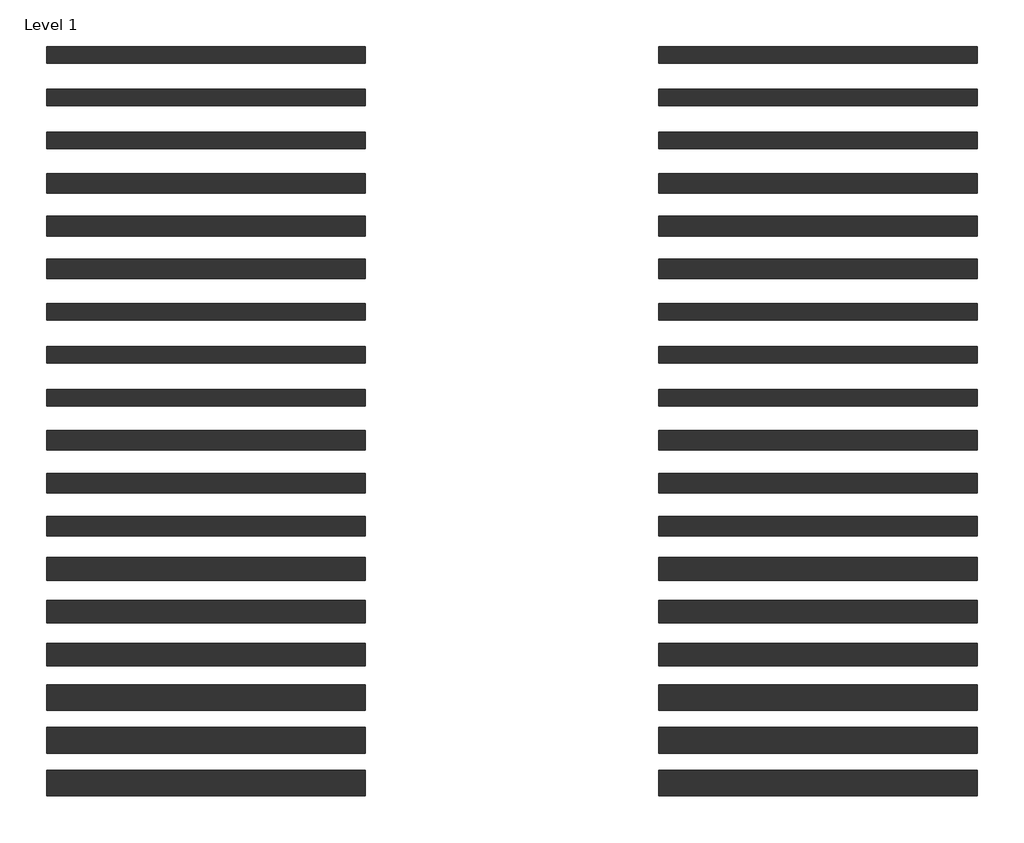
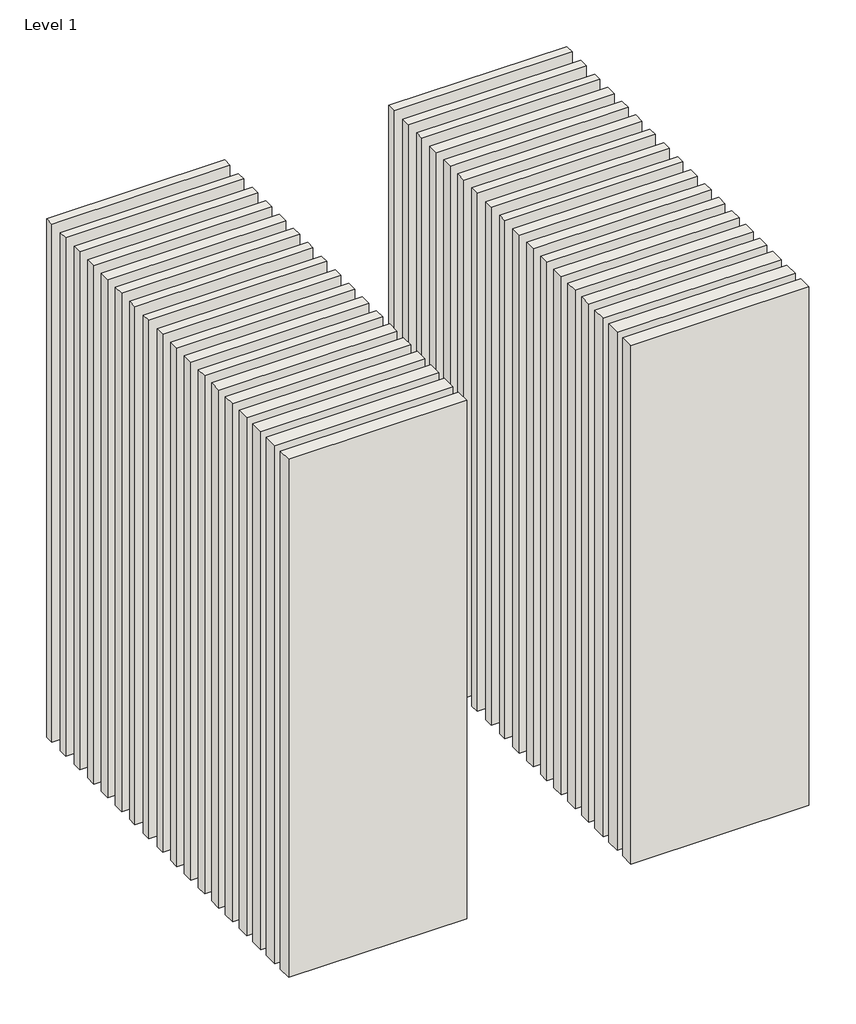
# One storey: 36 walls.
"""IFC4 building model written with IfcOpenShell, lengths in millimetres."""

import ifcopenshell
import ifcopenshell.guid

model = None  # the IFC model being written
_history = None  # IfcOwnerHistory: only IFC2X3 demands one
_inside = {}  # id of a spatial element -> (the spatial element, [elements in it])
_under = {}  # id of a project, library or spatial element -> (it, [spatial elements below it])
_declared = {}  # id of a project -> (the project, [libraries it declares])
_typed = {}  # id of a type object -> (the type object, [elements of that type])
_made_of = {}  # id of a material, layer set ... -> (it, [elements and type objects made of it])


def new_model(schema):
    """Start an empty IFC model of exactly this schema.

    Asked for "IFC4X3", IfcOpenShell would pick the latest addendum, in which some entities
    have other attributes; the version numbers below select the first issue.
    IFC2X3 requires an IfcOwnerHistory on every rooted entity: one is made here for all.
    """
    global model, _history
    if schema == "IFC4X3":
        model = ifcopenshell.file(schema_version=(4, 3, 0, 0))
    else:
        model = ifcopenshell.file(schema=schema)
    _inside.clear()
    _under.clear()
    _declared.clear()
    _typed.clear()
    _made_of.clear()
    _history = None
    if model.schema == "IFC2X3":
        org = make("IfcOrganization", Name="unknown")
        user = make(
            "IfcPersonAndOrganization",
            ThePerson=make("IfcPerson", FamilyName="unknown"),
            TheOrganization=org,
        )
        app = make(
            "IfcApplication",
            ApplicationDeveloper=org,
            Version="unknown",
            ApplicationFullName="unknown",
            ApplicationIdentifier="unknown",
        )
        _history = make(
            "IfcOwnerHistory",
            OwningUser=user,
            OwningApplication=app,
            ChangeAction="ADDED",
            CreationDate=0,
        )
    return model


def make(cls, **values):
    """One entity of the class cls with the attributes given. An attribute that is None is left unset."""
    return model.create_entity(
        cls, **{name: value for name, value in values.items() if value is not None}
    )


def rooted(cls, **values):
    """An entity with a GlobalId (a new one), such as an element, a storey or a relation."""
    return make(cls, GlobalId=ifcopenshell.guid.new(), OwnerHistory=_history, **values)


def si_unit(unit_type, name, prefix=None):
    """IfcSIUnit, for example si_unit("LENGTHUNIT", "METRE", prefix="MILLI")."""
    return make("IfcSIUnit", UnitType=unit_type, Prefix=prefix, Name=name)


def assignment(units):
    """IfcUnitAssignment: the units of a project."""
    return None if units is None else make("IfcUnitAssignment", Units=units)


def point(xyz):
    """IfcCartesianPoint."""
    return None if xyz is None else make("IfcCartesianPoint", Coordinates=xyz)


def direction(xyz):
    """IfcDirection."""
    return None if xyz is None else make("IfcDirection", DirectionRatios=xyz)


def frame(location, z_axis=None, x_axis=None):
    """IfcAxis2Placement3D, a coordinate frame: its origin and axes. An axis left out is left unset."""
    return make(
        "IfcAxis2Placement3D",
        Location=point(location),
        Axis=direction(z_axis),
        RefDirection=direction(x_axis),
    )


def origin():
    """The frame at (0, 0, 0) with its axes left unset."""
    return frame((0.0, 0.0, 0.0))


def origin_with_axes():
    """The frame at (0, 0, 0) with the z axis (0, 0, 1) and the x axis (1, 0, 0) written out."""
    return frame((0.0, 0.0, 0.0), z_axis=(0.0, 0.0, 1.0), x_axis=(1.0, 0.0, 0.0))


def place(relative_to, where):
    """IfcLocalPlacement: puts the frame where relative to a parent placement (None: the world)."""
    return make(
        "IfcLocalPlacement", PlacementRelTo=relative_to, RelativePlacement=where
    )


def context(
    kind, dimensions, precision=None, world=None, true_north=None, identifier=None
):
    """IfcGeometricRepresentationContext, for example the 3D "Model" context."""
    return make(
        "IfcGeometricRepresentationContext",
        ContextIdentifier=identifier,
        ContextType=kind,
        CoordinateSpaceDimension=dimensions,
        Precision=precision,
        WorldCoordinateSystem=world,
        TrueNorth=true_north,
    )


def project(units=None, contexts=None):
    """IfcProject with its units and contexts."""
    return rooted(
        "IfcProject",
        Name="project",
        RepresentationContexts=contexts,
        UnitsInContext=assignment(units),
    )


def spatial(cls, under=None, at=None, **own):
    """A site, building, storey or space (cls), placed at a placement, below another one or the project."""
    s = rooted(cls, ObjectPlacement=at, **own)
    if under is not None:
        _under.setdefault(under.id(), (under, []))[1].append(s)
    return s


def polyline(points):
    """IfcPolyline through the points."""
    return make("IfcPolyline", Points=[point(p) for p in points])


def outline(outer, holes=None, kind="AREA"):
    """IfcArbitraryClosedProfileDef: a profile drawn as a closed curve; with holes, ...WithVoids."""
    if holes is None:
        return make("IfcArbitraryClosedProfileDef", ProfileType=kind, OuterCurve=outer)
    return make(
        "IfcArbitraryProfileDefWithVoids",
        ProfileType=kind,
        OuterCurve=outer,
        InnerCurves=holes,
    )


def extrude(swept, where, along, depth):
    """IfcExtrudedAreaSolid: the profile swept, set in the frame where, extruded along a direction by depth."""
    return make(
        "IfcExtrudedAreaSolid",
        SweptArea=swept,
        Position=where,
        ExtrudedDirection=direction(along),
        Depth=depth,
    )


def shape(context_of_items, identifier, shape_type, items):
    """IfcShapeRepresentation: the items that make up one representation, for example the "Body"."""
    return make(
        "IfcShapeRepresentation",
        ContextOfItems=context_of_items,
        RepresentationIdentifier=identifier,
        RepresentationType=shape_type,
        Items=items,
    )


def made_of(thing, what):
    """Note that an element or type object is made of a material, layer set ...; save() writes the relation."""
    if what is not None:
        _made_of.setdefault(what.id(), (what, []))[1].append(thing)
    return thing


def element(
    cls,
    number,
    at=None,
    inside=None,
    cuts=None,
    type_object=None,
    material=None,
    context=None,
    identifier="Body",
    shape_type=None,
    held_by="IfcProductDefinitionShape",
    body=None,
    shapes=None,
    **own,
):
    """One element of the class cls, such as IfcWall. Its Tag is "e" and its number.

    at: its placement. inside: the storey or other place that contains it. cuts: it is an
    opening in that element (IfcRelVoidsElement). A single representation is given by context,
    identifier, shape_type and body (its items); several are given by shapes. held_by: the class
    of the entity that holds the representations. save() writes the other relations.
    """
    e = rooted(cls, Tag="e%d" % number, ObjectPlacement=at, **own)
    if body is not None:
        shapes = [shape(context, identifier, shape_type, body)]
    if shapes is not None:
        e.Representation = make(held_by, Representations=shapes)
    if inside is not None:
        _inside.setdefault(inside.id(), (inside, []))[1].append(e)
    if cuts is not None:
        rooted(
            "IfcRelVoidsElement", RelatingBuildingElement=cuts, RelatedOpeningElement=e
        )
    if type_object is not None:
        _typed.setdefault(type_object.id(), (type_object, []))[1].append(e)
    return made_of(e, material)


def aggregate(whole, parts):
    """IfcRelAggregates: a whole, such as a stair, and the parts it consists of."""
    return rooted("IfcRelAggregates", RelatingObject=whole, RelatedObjects=parts)


def save(model, path):
    """Write the relations noted so far, then the file.

    IfcRelAggregates (storeys below a building ...), IfcRelContainedInSpatialStructure (elements
    in a storey), IfcRelDefinesByType, IfcRelAssociatesMaterial and IfcRelDeclares: one each for
    every whole, place, type object, material and project.
    """
    for whole, parts in _under.values():
        aggregate(whole, parts)
    for where, things in _inside.values():
        rooted(
            "IfcRelContainedInSpatialStructure",
            RelatedElements=things,
            RelatingStructure=where,
        )
    for kind, things in _typed.values():
        rooted("IfcRelDefinesByType", RelatedObjects=things, RelatingType=kind)
    for what, things in _made_of.values():
        rooted("IfcRelAssociatesMaterial", RelatedObjects=things, RelatingMaterial=what)
    for by, libraries in _declared.values():
        rooted("IfcRelDeclares", RelatingContext=by, RelatedDefinitions=libraries)
    model.write(path)


model = new_model("IFC4")

# Units and contexts
model_context = context("Model", 3, world=origin())
ifc_project = project(units=[si_unit("LENGTHUNIT", "METRE", prefix="MILLI")], contexts=[model_context])

# Site, building, storey
site = spatial("IfcSite", under=ifc_project)
building = spatial("IfcBuilding", under=site)
storey = spatial("IfcBuildingStorey", under=building, Name="Level 1", Elevation=0.0)

# Walls
placement = place(None, origin())
element("IfcWall", 1, at=placement, inside=storey, context=model_context, shape_type="SweptSolid", body=[
    extrude(outline(polyline([(-16904.1464237, 3668.9042935), (-19504.1464237, 3668.9042935), (-19504.1464237, 3803.9042935), (-16904.1464237, 3803.9042935), (-16904.1464237, 3668.9042935)])), origin_with_axes(), (0.0, 0.0, 1.0), 8000.0),
])
element("IfcWall", 2, at=placement, inside=storey, context=model_context, shape_type="SweptSolid", body=[
    extrude(outline(polyline([(-16904.1464237, 3318.9042935), (-19504.1464237, 3318.9042935), (-19504.1464237, 3453.9042935), (-16904.1464237, 3453.9042935), (-16904.1464237, 3318.9042935)])), origin_with_axes(), (0.0, 0.0, 1.0), 8000.0),
])
element("IfcWall", 3, at=placement, inside=storey, context=model_context, shape_type="SweptSolid", body=[
    extrude(outline(polyline([(-16904.1464237, 2968.9042935), (-19504.1464237, 2968.9042935), (-19504.1464237, 3103.9042935), (-16904.1464237, 3103.9042935), (-16904.1464237, 2968.9042935)])), origin_with_axes(), (0.0, 0.0, 1.0), 8000.0),
])
element("IfcWall", 4, at=placement, inside=storey, context=model_context, shape_type="SweptSolid", body=[
    extrude(outline(polyline([(-16904.1464237, 2606.4042935), (-19504.1464237, 2606.4042935), (-19504.1464237, 2766.4042935), (-16904.1464237, 2766.4042935), (-16904.1464237, 2606.4042935)])), origin_with_axes(), (0.0, 0.0, 1.0), 8000.0),
])
element("IfcWall", 5, at=placement, inside=storey, context=model_context, shape_type="SweptSolid", body=[
    extrude(outline(polyline([(-16904.1464237, 2256.4042935), (-19504.1464237, 2256.4042935), (-19504.1464237, 2416.4042935), (-16904.1464237, 2416.4042935), (-16904.1464237, 2256.4042935)])), origin_with_axes(), (0.0, 0.0, 1.0), 8000.0),
])
element("IfcWall", 6, at=placement, inside=storey, context=model_context, shape_type="SweptSolid", body=[
    extrude(outline(polyline([(-16904.1464237, 1906.4042935), (-19504.1464237, 1906.4042935), (-19504.1464237, 2066.4042935), (-16904.1464237, 2066.4042935), (-16904.1464237, 1906.4042935)])), origin_with_axes(), (0.0, 0.0, 1.0), 8000.0),
])
element("IfcWall", 7, at=placement, inside=storey, context=model_context, shape_type="SweptSolid", body=[
    extrude(outline(polyline([(-16904.1464237, 1568.9042935), (-19504.1464237, 1568.9042935), (-19504.1464237, 1703.9042935), (-16904.1464237, 1703.9042935), (-16904.1464237, 1568.9042935)])), origin_with_axes(), (0.0, 0.0, 1.0), 8000.0),
])
element("IfcWall", 8, at=placement, inside=storey, context=model_context, shape_type="SweptSolid", body=[
    extrude(outline(polyline([(-16904.1464237, 1218.9042935), (-19504.1464237, 1218.9042935), (-19504.1464237, 1353.9042935), (-16904.1464237, 1353.9042935), (-16904.1464237, 1218.9042935)])), origin_with_axes(), (0.0, 0.0, 1.0), 8000.0),
])
element("IfcWall", 9, at=placement, inside=storey, context=model_context, shape_type="SweptSolid", body=[
    extrude(outline(polyline([(-16904.1464237, 868.9042935), (-19504.1464237, 868.9042935), (-19504.1464237, 1003.9042935), (-16904.1464237, 1003.9042935), (-16904.1464237, 868.9042935)])), origin_with_axes(), (0.0, 0.0, 1.0), 8000.0),
])
element("IfcWall", 10, at=placement, inside=storey, context=model_context, shape_type="SweptSolid", body=[
    extrude(outline(polyline([(-16904.1464237, 506.4042935), (-19504.1464237, 506.4042935), (-19504.1464237, 666.4042935), (-16904.1464237, 666.4042935), (-16904.1464237, 506.4042935)])), origin_with_axes(), (0.0, 0.0, 1.0), 8000.0),
])
element("IfcWall", 11, at=placement, inside=storey, context=model_context, shape_type="SweptSolid", body=[
    extrude(outline(polyline([(-16904.1464237, 156.4042935), (-19504.1464237, 156.4042935), (-19504.1464237, 316.4042935), (-16904.1464237, 316.4042935), (-16904.1464237, 156.4042935)])), origin_with_axes(), (0.0, 0.0, 1.0), 8000.0),
])
element("IfcWall", 12, at=placement, inside=storey, context=model_context, shape_type="SweptSolid", body=[
    extrude(outline(polyline([(-16904.1464237, -193.5957065), (-19504.1464237, -193.5957065), (-19504.1464237, -33.5957065), (-16904.1464237, -33.5957065), (-16904.1464237, -193.5957065)])), origin_with_axes(), (0.0, 0.0, 1.0), 8000.0),
])
element("IfcWall", 13, at=placement, inside=storey, context=model_context, shape_type="SweptSolid", body=[
    extrude(outline(polyline([(-16904.1464237, -556.0957065), (-19504.1464237, -556.0957065), (-19504.1464237, -371.0957065), (-16904.1464237, -371.0957065), (-16904.1464237, -556.0957065)])), origin_with_axes(), (0.0, 0.0, 1.0), 8000.0),
])
element("IfcWall", 14, at=placement, inside=storey, context=model_context, shape_type="SweptSolid", body=[
    extrude(outline(polyline([(-16904.1464237, -906.0957065), (-19504.1464237, -906.0957065), (-19504.1464237, -721.0957065), (-16904.1464237, -721.0957065), (-16904.1464237, -906.0957065)])), origin_with_axes(), (0.0, 0.0, 1.0), 8000.0),
])
element("IfcWall", 15, at=placement, inside=storey, context=model_context, shape_type="SweptSolid", body=[
    extrude(outline(polyline([(-16904.1464237, -1256.0957065), (-19504.1464237, -1256.0957065), (-19504.1464237, -1071.0957065), (-16904.1464237, -1071.0957065), (-16904.1464237, -1256.0957065)])), origin_with_axes(), (0.0, 0.0, 1.0), 8000.0),
])
element("IfcWall", 16, at=placement, inside=storey, context=model_context, shape_type="SweptSolid", body=[
    extrude(outline(polyline([(-16904.1464237, -1618.5957065), (-19504.1464237, -1618.5957065), (-19504.1464237, -1408.5957065), (-16904.1464237, -1408.5957065), (-16904.1464237, -1618.5957065)])), origin_with_axes(), (0.0, 0.0, 1.0), 8000.0),
])
element("IfcWall", 17, at=placement, inside=storey, context=model_context, shape_type="SweptSolid", body=[
    extrude(outline(polyline([(-16904.1464237, -1968.5957065), (-19504.1464237, -1968.5957065), (-19504.1464237, -1758.5957065), (-16904.1464237, -1758.5957065), (-16904.1464237, -1968.5957065)])), origin_with_axes(), (0.0, 0.0, 1.0), 8000.0),
])
element("IfcWall", 18, at=placement, inside=storey, context=model_context, shape_type="SweptSolid", body=[
    extrude(outline(polyline([(-16904.1464237, -2318.5957065), (-19504.1464237, -2318.5957065), (-19504.1464237, -2108.5957065), (-16904.1464237, -2108.5957065), (-16904.1464237, -2318.5957065)])), origin_with_axes(), (0.0, 0.0, 1.0), 8000.0),
])
element("IfcWall", 19, at=placement, inside=storey, context=model_context, shape_type="SweptSolid", body=[
    extrude(outline(polyline([(-11904.1464237, 3668.9042935), (-14504.1464237, 3668.9042935), (-14504.1464237, 3803.9042935), (-11904.1464237, 3803.9042935), (-11904.1464237, 3668.9042935)])), origin_with_axes(), (0.0, 0.0, 1.0), 8000.0),
])
element("IfcWall", 20, at=placement, inside=storey, context=model_context, shape_type="SweptSolid", body=[
    extrude(outline(polyline([(-11904.1464237, 3318.9042935), (-14504.1464237, 3318.9042935), (-14504.1464237, 3453.9042935), (-11904.1464237, 3453.9042935), (-11904.1464237, 3318.9042935)])), origin_with_axes(), (0.0, 0.0, 1.0), 8000.0),
])
element("IfcWall", 21, at=placement, inside=storey, context=model_context, shape_type="SweptSolid", body=[
    extrude(outline(polyline([(-11904.1464237, 2968.9042935), (-14504.1464237, 2968.9042935), (-14504.1464237, 3103.9042935), (-11904.1464237, 3103.9042935), (-11904.1464237, 2968.9042935)])), origin_with_axes(), (0.0, 0.0, 1.0), 8000.0),
])
element("IfcWall", 22, at=placement, inside=storey, context=model_context, shape_type="SweptSolid", body=[
    extrude(outline(polyline([(-11904.1464237, 2606.4042935), (-14504.1464237, 2606.4042935), (-14504.1464237, 2766.4042935), (-11904.1464237, 2766.4042935), (-11904.1464237, 2606.4042935)])), origin_with_axes(), (0.0, 0.0, 1.0), 8000.0),
])
element("IfcWall", 23, at=placement, inside=storey, context=model_context, shape_type="SweptSolid", body=[
    extrude(outline(polyline([(-11904.1464237, 2256.4042935), (-14504.1464237, 2256.4042935), (-14504.1464237, 2416.4042935), (-11904.1464237, 2416.4042935), (-11904.1464237, 2256.4042935)])), origin_with_axes(), (0.0, 0.0, 1.0), 8000.0),
])
element("IfcWall", 24, at=placement, inside=storey, context=model_context, shape_type="SweptSolid", body=[
    extrude(outline(polyline([(-11904.1464237, 1906.4042935), (-14504.1464237, 1906.4042935), (-14504.1464237, 2066.4042935), (-11904.1464237, 2066.4042935), (-11904.1464237, 1906.4042935)])), origin_with_axes(), (0.0, 0.0, 1.0), 8000.0),
])
element("IfcWall", 25, at=placement, inside=storey, context=model_context, shape_type="SweptSolid", body=[
    extrude(outline(polyline([(-11904.1464237, 1568.9042935), (-14504.1464237, 1568.9042935), (-14504.1464237, 1703.9042935), (-11904.1464237, 1703.9042935), (-11904.1464237, 1568.9042935)])), origin_with_axes(), (0.0, 0.0, 1.0), 8000.0),
])
element("IfcWall", 26, at=placement, inside=storey, context=model_context, shape_type="SweptSolid", body=[
    extrude(outline(polyline([(-11904.1464237, 1218.9042935), (-14504.1464237, 1218.9042935), (-14504.1464237, 1353.9042935), (-11904.1464237, 1353.9042935), (-11904.1464237, 1218.9042935)])), origin_with_axes(), (0.0, 0.0, 1.0), 8000.0),
])
element("IfcWall", 27, at=placement, inside=storey, context=model_context, shape_type="SweptSolid", body=[
    extrude(outline(polyline([(-11904.1464237, 868.9042935), (-14504.1464237, 868.9042935), (-14504.1464237, 1003.9042935), (-11904.1464237, 1003.9042935), (-11904.1464237, 868.9042935)])), origin_with_axes(), (0.0, 0.0, 1.0), 8000.0),
])
element("IfcWall", 28, at=placement, inside=storey, context=model_context, shape_type="SweptSolid", body=[
    extrude(outline(polyline([(-11904.1464237, 506.4042935), (-14504.1464237, 506.4042935), (-14504.1464237, 666.4042935), (-11904.1464237, 666.4042935), (-11904.1464237, 506.4042935)])), origin_with_axes(), (0.0, 0.0, 1.0), 8000.0),
])
element("IfcWall", 29, at=placement, inside=storey, context=model_context, shape_type="SweptSolid", body=[
    extrude(outline(polyline([(-11904.1464237, 156.4042935), (-14504.1464237, 156.4042935), (-14504.1464237, 316.4042935), (-11904.1464237, 316.4042935), (-11904.1464237, 156.4042935)])), origin_with_axes(), (0.0, 0.0, 1.0), 8000.0),
])
element("IfcWall", 30, at=placement, inside=storey, context=model_context, shape_type="SweptSolid", body=[
    extrude(outline(polyline([(-11904.1464237, -193.5957065), (-14504.1464237, -193.5957065), (-14504.1464237, -33.5957065), (-11904.1464237, -33.5957065), (-11904.1464237, -193.5957065)])), origin_with_axes(), (0.0, 0.0, 1.0), 8000.0),
])
element("IfcWall", 31, at=placement, inside=storey, context=model_context, shape_type="SweptSolid", body=[
    extrude(outline(polyline([(-11904.1464237, -556.0957065), (-14504.1464237, -556.0957065), (-14504.1464237, -371.0957065), (-11904.1464237, -371.0957065), (-11904.1464237, -556.0957065)])), origin_with_axes(), (0.0, 0.0, 1.0), 8000.0),
])
element("IfcWall", 32, at=placement, inside=storey, context=model_context, shape_type="SweptSolid", body=[
    extrude(outline(polyline([(-11904.1464237, -906.0957065), (-14504.1464237, -906.0957065), (-14504.1464237, -721.0957065), (-11904.1464237, -721.0957065), (-11904.1464237, -906.0957065)])), origin_with_axes(), (0.0, 0.0, 1.0), 8000.0),
])
element("IfcWall", 33, at=placement, inside=storey, context=model_context, shape_type="SweptSolid", body=[
    extrude(outline(polyline([(-11904.1464237, -1256.0957065), (-14504.1464237, -1256.0957065), (-14504.1464237, -1071.0957065), (-11904.1464237, -1071.0957065), (-11904.1464237, -1256.0957065)])), origin_with_axes(), (0.0, 0.0, 1.0), 8000.0),
])
element("IfcWall", 34, at=placement, inside=storey, context=model_context, shape_type="SweptSolid", body=[
    extrude(outline(polyline([(-11904.1464237, -1618.5957065), (-14504.1464237, -1618.5957065), (-14504.1464237, -1408.5957065), (-11904.1464237, -1408.5957065), (-11904.1464237, -1618.5957065)])), origin_with_axes(), (0.0, 0.0, 1.0), 8000.0),
])
element("IfcWall", 35, at=placement, inside=storey, context=model_context, shape_type="SweptSolid", body=[
    extrude(outline(polyline([(-11904.1464237, -1968.5957065), (-14504.1464237, -1968.5957065), (-14504.1464237, -1758.5957065), (-11904.1464237, -1758.5957065), (-11904.1464237, -1968.5957065)])), origin_with_axes(), (0.0, 0.0, 1.0), 8000.0),
])
element("IfcWall", 36, at=placement, inside=storey, context=model_context, shape_type="SweptSolid", body=[
    extrude(outline(polyline([(-11904.1464237, -2318.5957065), (-14504.1464237, -2318.5957065), (-14504.1464237, -2108.5957065), (-11904.1464237, -2108.5957065), (-11904.1464237, -2318.5957065)])), origin_with_axes(), (0.0, 0.0, 1.0), 8000.0),
])

save(model, "model.ifc")
